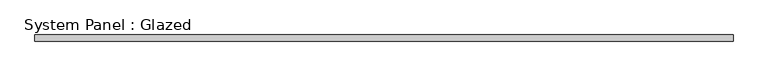
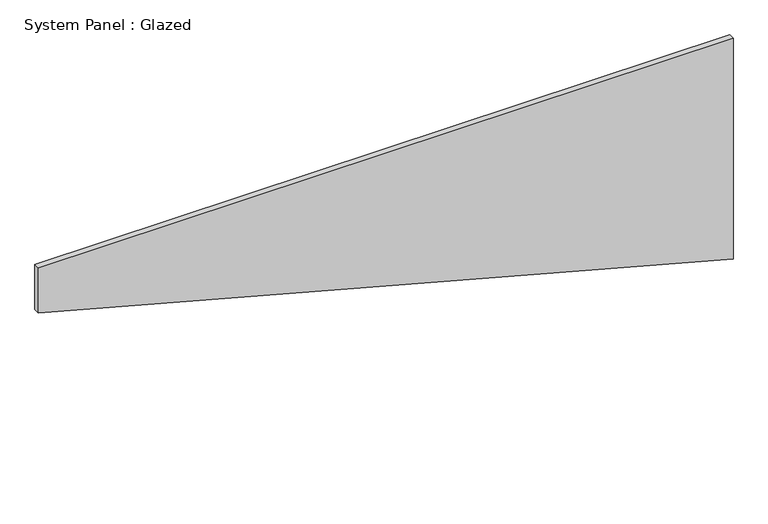
"""IFC4 building model written with IfcOpenShell, lengths in millimetres: plate geometry, System Panel : Glazed."""

from ifc_helpers import new_model, si_unit, frame, origin, place, context, project, spatial, polyline, outline, extrude, source, transform, mapped, element, save


def system_panel_glazed_596c2751(model_context):
    return source(origin(), model_context, "Body", "SweptSolid", [
        extrude(outline(polyline([(763.6551984, -1425.0), (0.0, 1425.0), (957.9187047, 1425.0), (957.9187047, -1425.0), (763.6551984, -1425.0)])), frame((0.0, -2.5, 0.0), z_axis=(0.0, 1.0, 0.0), x_axis=(0.0, 0.0, 1.0)), (0.0, 0.0, 1.0), 25.0),
    ])


if __name__ == "__main__":
    model = new_model("IFC4")
    model_context = context("Model", 3, world=origin())
    ifc_project = project(units=[si_unit("LENGTHUNIT", "METRE", prefix="MILLI")], contexts=[model_context])
    site = spatial("IfcSite", under=ifc_project)
    building = spatial("IfcBuilding", under=site)
    placement = place(None, origin())
    system_panel_glazed_shape = system_panel_glazed_596c2751(model_context)
    element("IfcPlate", 1, ObjectType="System Panel : Glazed", at=placement, inside=building, context=model_context, shape_type="MappedRepresentation", body=[
        mapped(system_panel_glazed_shape, transform((0.0, 0.0, 0.0), x_axis=(1.0, 0.0, 0.0), y_axis=(0.0, 1.0, 0.0), z_axis=(0.0, 0.0, 1.0))),
    ])
    save(model, "model.ifc")
